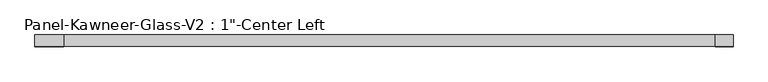
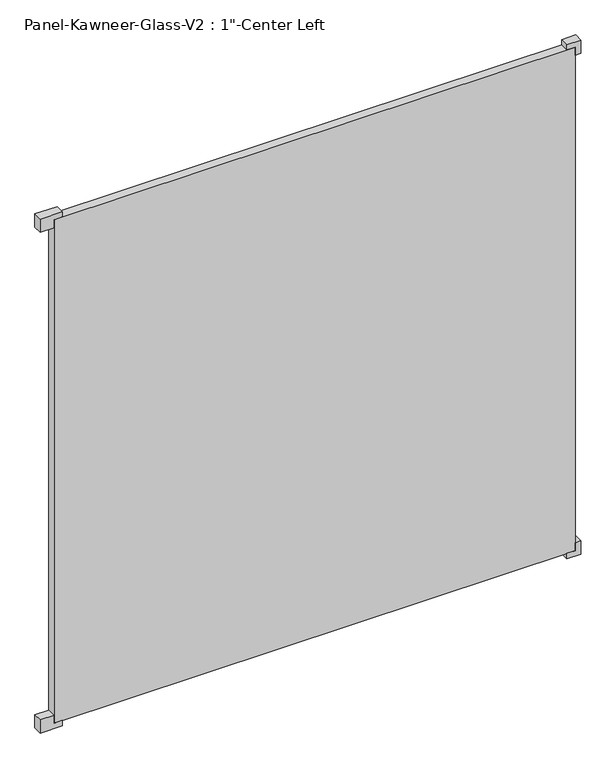
"""IFC4 building model written with IfcOpenShell, lengths in millimetres: plate geometry."""

from ifc_helpers import new_model, si_unit, frame, origin, origin_with_axes, place, context, project, spatial, polyline, outline, extrude, source, transform, mapped, element, save


def plate_ff9a52b5(model_context):
    return source(origin(), model_context, "Body", "SweptSolid", [
        extrude(outline(polyline([(-15.875, 714.375), (-15.875, 754.0625), (23.8125, 754.0625), (23.8125, 738.1875), (0.0, 738.1875), (0.0, 714.375), (-15.875, 714.375)])), frame((0.0, -12.7327949, 0.0), z_axis=(0.0, 1.0, 0.0), x_axis=(0.0, 0.0, 1.0)), (0.0, 0.0, 1.0), 25.4),
        extrude(outline(polyline([(-15.875, -714.375), (0.0, -714.375), (0.0, -738.1875), (23.8125, -738.1875), (23.8125, -777.875), (-15.875, -777.875), (-15.875, -714.375)])), frame((0.0, -12.7327949, 0.0), z_axis=(0.0, 1.0, 0.0), x_axis=(0.0, 0.0, 1.0)), (0.0, 0.0, 1.0), 25.4),
        extrude(outline(polyline([(1524.0, 714.375), (1508.125, 714.375), (1508.125, 738.1875), (1484.3125, 738.1875), (1484.3125, 754.0625), (1524.0, 754.0625), (1524.0, 714.375)])), frame((0.0, -12.7327949, 0.0), z_axis=(0.0, 1.0, 0.0), x_axis=(0.0, 0.0, 1.0)), (0.0, 0.0, 1.0), 25.4),
        extrude(outline(polyline([(1524.0, -714.375), (1524.0, -777.875), (1484.3125, -777.875), (1484.3125, -738.1875), (1508.125, -738.1875), (1508.125, -714.375), (1524.0, -714.375)])), frame((0.0, -12.7327949, 0.0), z_axis=(0.0, 1.0, 0.0), x_axis=(0.0, 0.0, 1.0)), (0.0, 0.0, 1.0), 25.4),
        extrude(outline(polyline([(738.1875, 12.6672051), (738.1875, -12.7327949), (-738.1875, -12.7327949), (-738.1875, 12.6672051), (738.1875, 12.6672051)])), origin_with_axes(), (0.0, 0.0, 1.0), 1508.125),
    ])


if __name__ == "__main__":
    model = new_model("IFC4")
    model_context = context("Model", 3, world=origin())
    ifc_project = project(units=[si_unit("LENGTHUNIT", "METRE", prefix="MILLI")], contexts=[model_context])
    site = spatial("IfcSite", under=ifc_project)
    building = spatial("IfcBuilding", under=site)
    placement = place(None, origin())
    plate_shape = plate_ff9a52b5(model_context)
    element("IfcPlate", 1, ObjectType="Panel-Kawneer-Glass-V2 : 1\"-Center Left", at=placement, inside=building, context=model_context, shape_type="MappedRepresentation", body=[
        mapped(plate_shape, transform((0.0, 0.0, 0.0), x_axis=(1.0, 0.0, 0.0), y_axis=(0.0, 1.0, 0.0), z_axis=(0.0, 0.0, 1.0))),
    ])
    save(model, "model.ifc")
